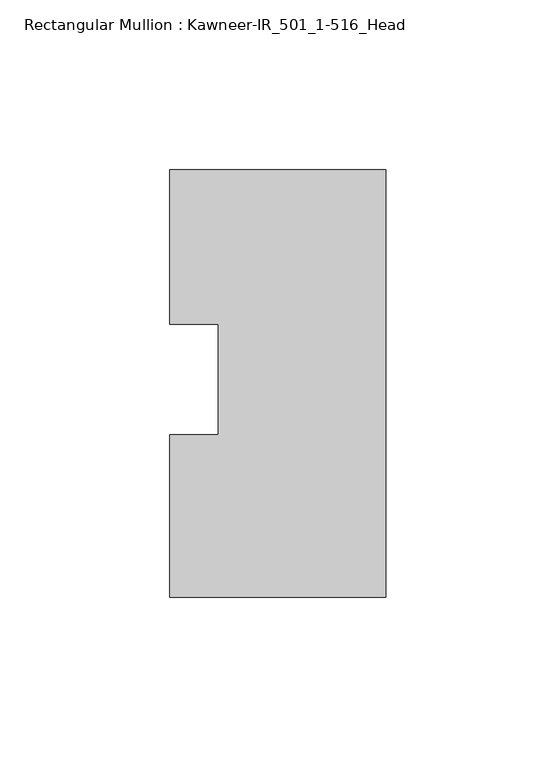
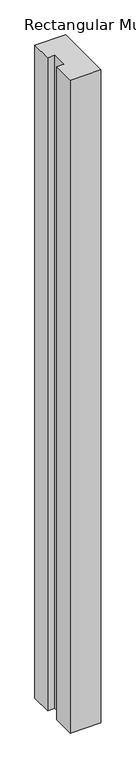
"""IFC4 building model written with IfcOpenShell, lengths in millimetres: member geometry, Rectangular Mullion : Kawneer-IR_501_1-516_Head."""

from ifc_helpers import new_model, si_unit, frame, origin, place, context, project, spatial, polyline, outline, extrude, source, transform, mapped, element, save


def rectangular_mullion_kawneer_ir_501_1_516_head_3aeaee54(model_context):
    return source(origin(), model_context, "Body", "SweptSolid", [
        extrude(outline(polyline([(-63.5, -38.101483), (-63.5, 9.7013073), (-49.2252, 9.7013073), (-49.2252, 42.1966825), (-63.5, 42.1966825), (-63.5, 87.679317), (0.0, 87.679317), (0.0, -38.101483), (-63.5, -38.101483)])), frame((0.0, 0.0, -1424.2953311), z_axis=(0.0, 0.0, 1.0), x_axis=(1.0, 0.0, 0.0)), (0.0, 0.0, 1.0), 1424.2953311),
    ])


if __name__ == "__main__":
    model = new_model("IFC4")
    model_context = context("Model", 3, world=origin())
    ifc_project = project(units=[si_unit("LENGTHUNIT", "METRE", prefix="MILLI")], contexts=[model_context])
    site = spatial("IfcSite", under=ifc_project)
    building = spatial("IfcBuilding", under=site)
    placement = place(None, origin())
    rectangular_mullion_kawneer_ir_501_1_516_head_shape = rectangular_mullion_kawneer_ir_501_1_516_head_3aeaee54(model_context)
    element("IfcMember", 1, ObjectType="Rectangular Mullion : Kawneer-IR_501_1-516_Head", at=placement, inside=building, context=model_context, shape_type="MappedRepresentation", body=[
        mapped(rectangular_mullion_kawneer_ir_501_1_516_head_shape, transform((0.0, 0.0, 0.0), x_axis=(1.0, 0.0, 0.0), y_axis=(0.0, 1.0, 0.0), z_axis=(0.0, 0.0, 1.0))),
    ])
    save(model, "model.ifc")
